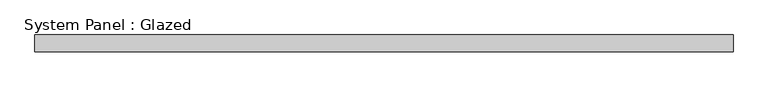
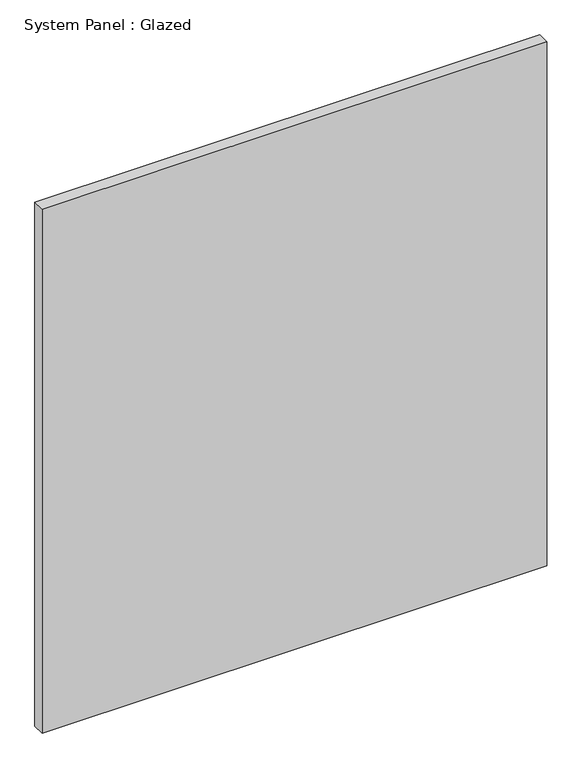
"""IFC4 building model written with IfcOpenShell, lengths in millimetres: plate geometry, System Panel : Glazed."""

from ifc_helpers import new_model, si_unit, origin, origin_with_axes, place, context, project, spatial, polyline, outline, extrude, source, transform, mapped, element, save


def system_panel_glazed_4f544685(model_context):
    return source(origin(), model_context, "Body", "SweptSolid", [
        extrude(outline(polyline([(520.7, -12.7), (-520.7, -12.7), (-520.7, 12.7), (520.7, 12.7), (520.7, -12.7)])), origin_with_axes(), (0.0, 0.0, 1.0), 1143.0),
    ])


if __name__ == "__main__":
    model = new_model("IFC4")
    model_context = context("Model", 3, world=origin())
    ifc_project = project(units=[si_unit("LENGTHUNIT", "METRE", prefix="MILLI")], contexts=[model_context])
    site = spatial("IfcSite", under=ifc_project)
    building = spatial("IfcBuilding", under=site)
    placement = place(None, origin())
    system_panel_glazed_shape = system_panel_glazed_4f544685(model_context)
    element("IfcPlate", 1, ObjectType="System Panel : Glazed", at=placement, inside=building, context=model_context, shape_type="MappedRepresentation", body=[
        mapped(system_panel_glazed_shape, transform((0.0, 0.0, 0.0), x_axis=(1.0, 0.0, 0.0), y_axis=(0.0, 1.0, 0.0), z_axis=(0.0, 0.0, 1.0))),
    ])
    save(model, "model.ifc")
